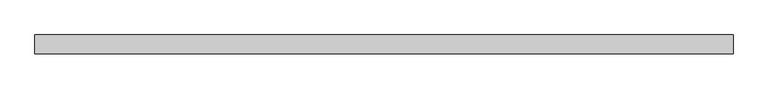
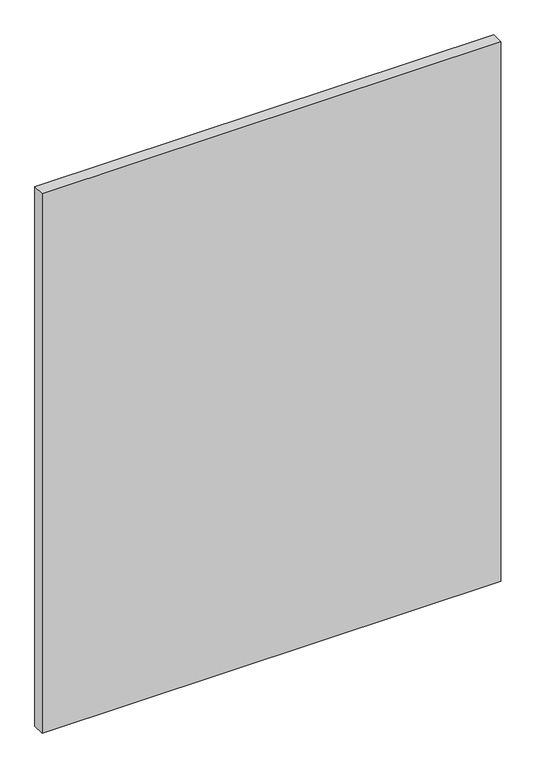
"""IFC4 building model written with IfcOpenShell, lengths in millimetres: plate geometry."""

from ifc_helpers import new_model, si_unit, origin, origin_with_axes, place, context, project, spatial, polyline, outline, extrude, source, transform, mapped, element, save


def plate_bc94cfc0(model_context):
    return source(origin(), model_context, "Body", "SweptSolid", [
        extrude(outline(polyline([(709.0218989, -19.05), (-709.0218989, -19.05), (-709.0218989, 19.05), (709.0218989, 19.05), (709.0218989, -19.05)])), origin_with_axes(), (0.0, 0.0, 1.0), 1761.3),
    ])


if __name__ == "__main__":
    model = new_model("IFC4")
    model_context = context("Model", 3, world=origin())
    ifc_project = project(units=[si_unit("LENGTHUNIT", "METRE", prefix="MILLI")], contexts=[model_context])
    site = spatial("IfcSite", under=ifc_project)
    building = spatial("IfcBuilding", under=site)
    placement = place(None, origin())
    plate_shape = plate_bc94cfc0(model_context)
    element("IfcPlate", 1, at=placement, inside=building, context=model_context, shape_type="MappedRepresentation", body=[
        mapped(plate_shape, transform((0.0, 0.0, 0.0), x_axis=(1.0, 0.0, 0.0), y_axis=(0.0, 1.0, 0.0), z_axis=(0.0, 0.0, 1.0))),
    ])
    save(model, "model.ifc")
